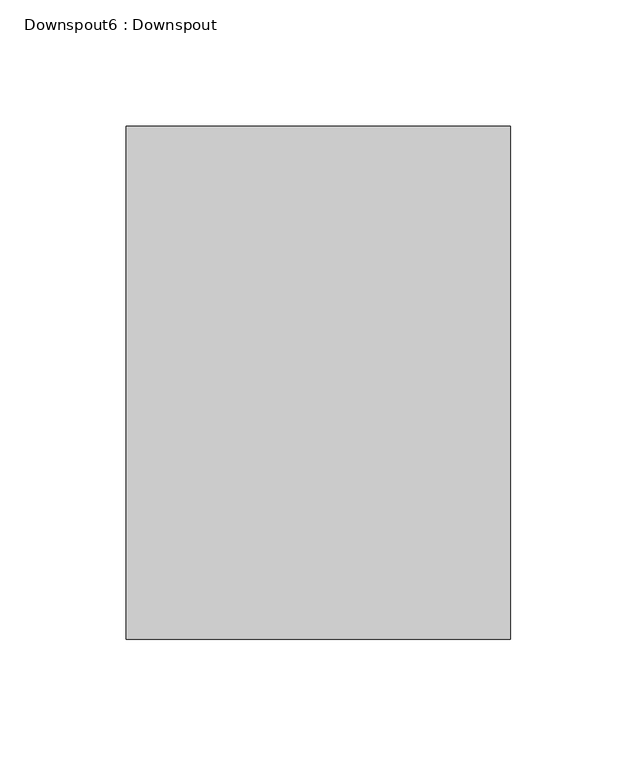
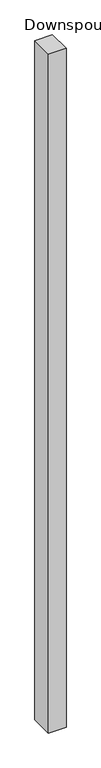
"""IFC4 building model written with IfcOpenShell, lengths in millimetres: proxy geometry, Downspout6 : Downspout."""

import ifcopenshell
import ifcopenshell.guid

model = None  # the IFC model being written
_history = None  # IfcOwnerHistory: only IFC2X3 demands one
_inside = {}  # id of a spatial element -> (the spatial element, [elements in it])
_under = {}  # id of a project, library or spatial element -> (it, [spatial elements below it])
_declared = {}  # id of a project -> (the project, [libraries it declares])
_typed = {}  # id of a type object -> (the type object, [elements of that type])
_made_of = {}  # id of a material, layer set ... -> (it, [elements and type objects made of it])


def new_model(schema):
    """Start an empty IFC model of exactly this schema.

    Asked for "IFC4X3", IfcOpenShell would pick the latest addendum, in which some entities
    have other attributes; the version numbers below select the first issue.
    IFC2X3 requires an IfcOwnerHistory on every rooted entity: one is made here for all.
    """
    global model, _history
    if schema == "IFC4X3":
        model = ifcopenshell.file(schema_version=(4, 3, 0, 0))
    else:
        model = ifcopenshell.file(schema=schema)
    _inside.clear()
    _under.clear()
    _declared.clear()
    _typed.clear()
    _made_of.clear()
    _history = None
    if model.schema == "IFC2X3":
        org = make("IfcOrganization", Name="unknown")
        user = make(
            "IfcPersonAndOrganization",
            ThePerson=make("IfcPerson", FamilyName="unknown"),
            TheOrganization=org,
        )
        app = make(
            "IfcApplication",
            ApplicationDeveloper=org,
            Version="unknown",
            ApplicationFullName="unknown",
            ApplicationIdentifier="unknown",
        )
        _history = make(
            "IfcOwnerHistory",
            OwningUser=user,
            OwningApplication=app,
            ChangeAction="ADDED",
            CreationDate=0,
        )
    return model


def make(cls, **values):
    """One entity of the class cls with the attributes given. An attribute that is None is left unset."""
    return model.create_entity(
        cls, **{name: value for name, value in values.items() if value is not None}
    )


def rooted(cls, **values):
    """An entity with a GlobalId (a new one), such as an element, a storey or a relation."""
    return make(cls, GlobalId=ifcopenshell.guid.new(), OwnerHistory=_history, **values)


def si_unit(unit_type, name, prefix=None):
    """IfcSIUnit, for example si_unit("LENGTHUNIT", "METRE", prefix="MILLI")."""
    return make("IfcSIUnit", UnitType=unit_type, Prefix=prefix, Name=name)


def assignment(units):
    """IfcUnitAssignment: the units of a project."""
    return None if units is None else make("IfcUnitAssignment", Units=units)


def point(xyz):
    """IfcCartesianPoint."""
    return None if xyz is None else make("IfcCartesianPoint", Coordinates=xyz)


def direction(xyz):
    """IfcDirection."""
    return None if xyz is None else make("IfcDirection", DirectionRatios=xyz)


def frame(location, z_axis=None, x_axis=None):
    """IfcAxis2Placement3D, a coordinate frame: its origin and axes. An axis left out is left unset."""
    return make(
        "IfcAxis2Placement3D",
        Location=point(location),
        Axis=direction(z_axis),
        RefDirection=direction(x_axis),
    )


def origin():
    """The frame at (0, 0, 0) with its axes left unset."""
    return frame((0.0, 0.0, 0.0))


def place(relative_to, where):
    """IfcLocalPlacement: puts the frame where relative to a parent placement (None: the world)."""
    return make(
        "IfcLocalPlacement", PlacementRelTo=relative_to, RelativePlacement=where
    )


def context(
    kind, dimensions, precision=None, world=None, true_north=None, identifier=None
):
    """IfcGeometricRepresentationContext, for example the 3D "Model" context."""
    return make(
        "IfcGeometricRepresentationContext",
        ContextIdentifier=identifier,
        ContextType=kind,
        CoordinateSpaceDimension=dimensions,
        Precision=precision,
        WorldCoordinateSystem=world,
        TrueNorth=true_north,
    )


def project(units=None, contexts=None):
    """IfcProject with its units and contexts."""
    return rooted(
        "IfcProject",
        Name="project",
        RepresentationContexts=contexts,
        UnitsInContext=assignment(units),
    )


def spatial(cls, under=None, at=None, **own):
    """A site, building, storey or space (cls), placed at a placement, below another one or the project."""
    s = rooted(cls, ObjectPlacement=at, **own)
    if under is not None:
        _under.setdefault(under.id(), (under, []))[1].append(s)
    return s


def polyline(points):
    """IfcPolyline through the points."""
    return make("IfcPolyline", Points=[point(p) for p in points])


def outline(outer, holes=None, kind="AREA"):
    """IfcArbitraryClosedProfileDef: a profile drawn as a closed curve; with holes, ...WithVoids."""
    if holes is None:
        return make("IfcArbitraryClosedProfileDef", ProfileType=kind, OuterCurve=outer)
    return make(
        "IfcArbitraryProfileDefWithVoids",
        ProfileType=kind,
        OuterCurve=outer,
        InnerCurves=holes,
    )


def extrude(swept, where, along, depth):
    """IfcExtrudedAreaSolid: the profile swept, set in the frame where, extruded along a direction by depth."""
    return make(
        "IfcExtrudedAreaSolid",
        SweptArea=swept,
        Position=where,
        ExtrudedDirection=direction(along),
        Depth=depth,
    )


def shape(context_of_items, identifier, shape_type, items):
    """IfcShapeRepresentation: the items that make up one representation, for example the "Body"."""
    return make(
        "IfcShapeRepresentation",
        ContextOfItems=context_of_items,
        RepresentationIdentifier=identifier,
        RepresentationType=shape_type,
        Items=items,
    )


def source(mapping_origin, context_of_items, identifier, shape_type, items):
    """IfcRepresentationMap: a shape defined once, which mapped items show again and again."""
    return make(
        "IfcRepresentationMap",
        MappingOrigin=mapping_origin,
        MappedRepresentation=shape(context_of_items, identifier, shape_type, items),
    )


def transform(
    local_origin,
    x_axis=None,
    y_axis=None,
    z_axis=None,
    scale=None,
    scale2=None,
    scale3=None,
    uniform=True,
):
    """IfcCartesianTransformationOperator3D, or its non-uniform kind. x_axis, y_axis, z_axis: its Axis1, 2, 3."""
    if uniform:
        return make(
            "IfcCartesianTransformationOperator3D",
            Axis1=direction(x_axis),
            Axis2=direction(y_axis),
            LocalOrigin=point(local_origin),
            Scale=scale,
            Axis3=direction(z_axis),
        )
    return make(
        "IfcCartesianTransformationOperator3DnonUniform",
        Axis1=direction(x_axis),
        Axis2=direction(y_axis),
        LocalOrigin=point(local_origin),
        Scale=scale,
        Axis3=direction(z_axis),
        Scale2=scale2,
        Scale3=scale3,
    )


def mapped(mapping_source, mapping_target):
    """IfcMappedItem: shows the shape of a source again, moved by a transform."""
    return make(
        "IfcMappedItem", MappingSource=mapping_source, MappingTarget=mapping_target
    )


def made_of(thing, what):
    """Note that an element or type object is made of a material, layer set ...; save() writes the relation."""
    if what is not None:
        _made_of.setdefault(what.id(), (what, []))[1].append(thing)
    return thing


def element(
    cls,
    number,
    at=None,
    inside=None,
    cuts=None,
    type_object=None,
    material=None,
    context=None,
    identifier="Body",
    shape_type=None,
    held_by="IfcProductDefinitionShape",
    body=None,
    shapes=None,
    **own,
):
    """One element of the class cls, such as IfcWall. Its Tag is "e" and its number.

    at: its placement. inside: the storey or other place that contains it. cuts: it is an
    opening in that element (IfcRelVoidsElement). A single representation is given by context,
    identifier, shape_type and body (its items); several are given by shapes. held_by: the class
    of the entity that holds the representations. save() writes the other relations.
    """
    e = rooted(cls, Tag="e%d" % number, ObjectPlacement=at, **own)
    if body is not None:
        shapes = [shape(context, identifier, shape_type, body)]
    if shapes is not None:
        e.Representation = make(held_by, Representations=shapes)
    if inside is not None:
        _inside.setdefault(inside.id(), (inside, []))[1].append(e)
    if cuts is not None:
        rooted(
            "IfcRelVoidsElement", RelatingBuildingElement=cuts, RelatedOpeningElement=e
        )
    if type_object is not None:
        _typed.setdefault(type_object.id(), (type_object, []))[1].append(e)
    return made_of(e, material)


def aggregate(whole, parts):
    """IfcRelAggregates: a whole, such as a stair, and the parts it consists of."""
    return rooted("IfcRelAggregates", RelatingObject=whole, RelatedObjects=parts)


def save(model, path):
    """Write the relations noted so far, then the file.

    IfcRelAggregates (storeys below a building ...), IfcRelContainedInSpatialStructure (elements
    in a storey), IfcRelDefinesByType, IfcRelAssociatesMaterial and IfcRelDeclares: one each for
    every whole, place, type object, material and project.
    """
    for whole, parts in _under.values():
        aggregate(whole, parts)
    for where, things in _inside.values():
        rooted(
            "IfcRelContainedInSpatialStructure",
            RelatedElements=things,
            RelatingStructure=where,
        )
    for kind, things in _typed.values():
        rooted("IfcRelDefinesByType", RelatedObjects=things, RelatingType=kind)
    for what, things in _made_of.values():
        rooted("IfcRelAssociatesMaterial", RelatedObjects=things, RelatingMaterial=what)
    for by, libraries in _declared.values():
        rooted("IfcRelDeclares", RelatingContext=by, RelatedDefinitions=libraries)
    model.write(path)


def downspout6_downspout_e961153f(model_context):
    return source(origin(), model_context, "Body", "SweptSolid", [
        extrude(outline(polyline([(254589.5557747, 263667.1980843), (254741.9557747, 263667.1980843), (254741.9557747, 263463.9980843), (254589.5557747, 263463.9980843), (254589.5557747, 263667.1980843)])), frame((0.0, 0.0, -203.2), z_axis=(0.0, 0.0, 1.0), x_axis=(1.0, 0.0, 0.0)), (0.0, 0.0, 1.0), 6226.6953907),
    ])


if __name__ == "__main__":
    model = new_model("IFC4")
    model_context = context("Model", 3, world=origin())
    ifc_project = project(units=[si_unit("LENGTHUNIT", "METRE", prefix="MILLI")], contexts=[model_context])
    site = spatial("IfcSite", under=ifc_project)
    building = spatial("IfcBuilding", under=site)
    placement = place(None, origin())
    downspout6_downspout_shape = downspout6_downspout_e961153f(model_context)
    element("IfcBuildingElementProxy", 1, Name="Downspout6 : Downspout", ObjectType="Downspout6 : Downspout", at=placement, inside=building, context=model_context, shape_type="MappedRepresentation", body=[
        mapped(downspout6_downspout_shape, transform((0.0, 0.0, 0.0), x_axis=(1.0, 0.0, 0.0), y_axis=(0.0, 1.0, 0.0), z_axis=(0.0, 0.0, 1.0))),
    ])
    save(model, "model.ifc")
